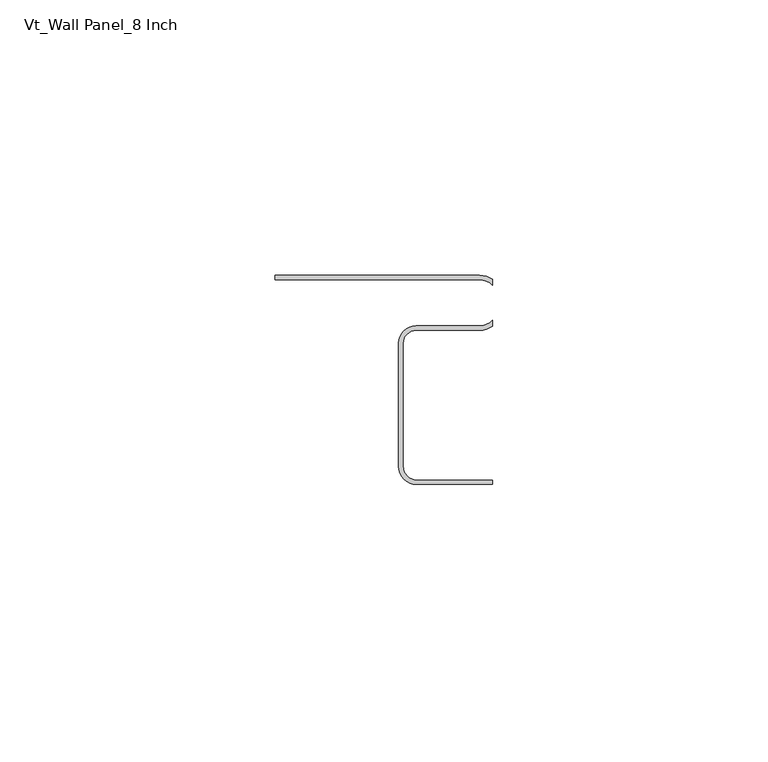
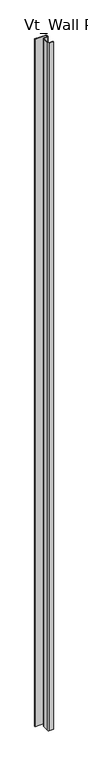
"""IFC4 building model written with IfcOpenShell, lengths in millimetres: plate geometry, Vt_Wall Panel_8 Inch."""

import ifcopenshell
import ifcopenshell.guid

model = None  # the IFC model being written
_history = None  # IfcOwnerHistory: only IFC2X3 demands one
_inside = {}  # id of a spatial element -> (the spatial element, [elements in it])
_under = {}  # id of a project, library or spatial element -> (it, [spatial elements below it])
_declared = {}  # id of a project -> (the project, [libraries it declares])
_typed = {}  # id of a type object -> (the type object, [elements of that type])
_made_of = {}  # id of a material, layer set ... -> (it, [elements and type objects made of it])


def new_model(schema):
    """Start an empty IFC model of exactly this schema.

    Asked for "IFC4X3", IfcOpenShell would pick the latest addendum, in which some entities
    have other attributes; the version numbers below select the first issue.
    IFC2X3 requires an IfcOwnerHistory on every rooted entity: one is made here for all.
    """
    global model, _history
    if schema == "IFC4X3":
        model = ifcopenshell.file(schema_version=(4, 3, 0, 0))
    else:
        model = ifcopenshell.file(schema=schema)
    _inside.clear()
    _under.clear()
    _declared.clear()
    _typed.clear()
    _made_of.clear()
    _history = None
    if model.schema == "IFC2X3":
        org = make("IfcOrganization", Name="unknown")
        user = make(
            "IfcPersonAndOrganization",
            ThePerson=make("IfcPerson", FamilyName="unknown"),
            TheOrganization=org,
        )
        app = make(
            "IfcApplication",
            ApplicationDeveloper=org,
            Version="unknown",
            ApplicationFullName="unknown",
            ApplicationIdentifier="unknown",
        )
        _history = make(
            "IfcOwnerHistory",
            OwningUser=user,
            OwningApplication=app,
            ChangeAction="ADDED",
            CreationDate=0,
        )
    return model


def make(cls, **values):
    """One entity of the class cls with the attributes given. An attribute that is None is left unset."""
    return model.create_entity(
        cls, **{name: value for name, value in values.items() if value is not None}
    )


def rooted(cls, **values):
    """An entity with a GlobalId (a new one), such as an element, a storey or a relation."""
    return make(cls, GlobalId=ifcopenshell.guid.new(), OwnerHistory=_history, **values)


def si_unit(unit_type, name, prefix=None):
    """IfcSIUnit, for example si_unit("LENGTHUNIT", "METRE", prefix="MILLI")."""
    return make("IfcSIUnit", UnitType=unit_type, Prefix=prefix, Name=name)


def assignment(units):
    """IfcUnitAssignment: the units of a project."""
    return None if units is None else make("IfcUnitAssignment", Units=units)


def point(xyz):
    """IfcCartesianPoint."""
    return None if xyz is None else make("IfcCartesianPoint", Coordinates=xyz)


def direction(xyz):
    """IfcDirection."""
    return None if xyz is None else make("IfcDirection", DirectionRatios=xyz)


def frame(location, z_axis=None, x_axis=None):
    """IfcAxis2Placement3D, a coordinate frame: its origin and axes. An axis left out is left unset."""
    return make(
        "IfcAxis2Placement3D",
        Location=point(location),
        Axis=direction(z_axis),
        RefDirection=direction(x_axis),
    )


def frame_2d(location, x_axis=None):
    """IfcAxis2Placement2D, a coordinate frame in the plane: its origin and x axis."""
    return make(
        "IfcAxis2Placement2D", Location=point(location), RefDirection=direction(x_axis)
    )


def origin():
    """The frame at (0, 0, 0) with its axes left unset."""
    return frame((0.0, 0.0, 0.0))


def origin_with_axes():
    """The frame at (0, 0, 0) with the z axis (0, 0, 1) and the x axis (1, 0, 0) written out."""
    return frame((0.0, 0.0, 0.0), z_axis=(0.0, 0.0, 1.0), x_axis=(1.0, 0.0, 0.0))


def place(relative_to, where):
    """IfcLocalPlacement: puts the frame where relative to a parent placement (None: the world)."""
    return make(
        "IfcLocalPlacement", PlacementRelTo=relative_to, RelativePlacement=where
    )


def context(
    kind, dimensions, precision=None, world=None, true_north=None, identifier=None
):
    """IfcGeometricRepresentationContext, for example the 3D "Model" context."""
    return make(
        "IfcGeometricRepresentationContext",
        ContextIdentifier=identifier,
        ContextType=kind,
        CoordinateSpaceDimension=dimensions,
        Precision=precision,
        WorldCoordinateSystem=world,
        TrueNorth=true_north,
    )


def project(units=None, contexts=None):
    """IfcProject with its units and contexts."""
    return rooted(
        "IfcProject",
        Name="project",
        RepresentationContexts=contexts,
        UnitsInContext=assignment(units),
    )


def spatial(cls, under=None, at=None, **own):
    """A site, building, storey or space (cls), placed at a placement, below another one or the project."""
    s = rooted(cls, ObjectPlacement=at, **own)
    if under is not None:
        _under.setdefault(under.id(), (under, []))[1].append(s)
    return s


def polyline(points):
    """IfcPolyline through the points."""
    return make("IfcPolyline", Points=[point(p) for p in points])


def circle_curve(where, radius):
    """IfcCircle in the frame where."""
    return make("IfcCircle", Position=where, Radius=radius)


def trimmed(basis, trim1, trim2, sense, master):
    """IfcTrimmedCurve: the piece of a basis curve between two trims."""
    return make(
        "IfcTrimmedCurve",
        BasisCurve=basis,
        Trim1=trim1,
        Trim2=trim2,
        SenseAgreement=sense,
        MasterRepresentation=master,
    )


def segment(curve, same_sense, transition):
    """IfcCompositeCurveSegment."""
    return make(
        "IfcCompositeCurveSegment",
        Transition=transition,
        SameSense=same_sense,
        ParentCurve=curve,
    )


def composite_curve(segments, self_intersect=None):
    """IfcCompositeCurve: segments joined end to end."""
    return make("IfcCompositeCurve", Segments=segments, SelfIntersect=self_intersect)


def outline(outer, holes=None, kind="AREA"):
    """IfcArbitraryClosedProfileDef: a profile drawn as a closed curve; with holes, ...WithVoids."""
    if holes is None:
        return make("IfcArbitraryClosedProfileDef", ProfileType=kind, OuterCurve=outer)
    return make(
        "IfcArbitraryProfileDefWithVoids",
        ProfileType=kind,
        OuterCurve=outer,
        InnerCurves=holes,
    )


def extrude(swept, where, along, depth):
    """IfcExtrudedAreaSolid: the profile swept, set in the frame where, extruded along a direction by depth."""
    return make(
        "IfcExtrudedAreaSolid",
        SweptArea=swept,
        Position=where,
        ExtrudedDirection=direction(along),
        Depth=depth,
    )


def shape(context_of_items, identifier, shape_type, items):
    """IfcShapeRepresentation: the items that make up one representation, for example the "Body"."""
    return make(
        "IfcShapeRepresentation",
        ContextOfItems=context_of_items,
        RepresentationIdentifier=identifier,
        RepresentationType=shape_type,
        Items=items,
    )


def source(mapping_origin, context_of_items, identifier, shape_type, items):
    """IfcRepresentationMap: a shape defined once, which mapped items show again and again."""
    return make(
        "IfcRepresentationMap",
        MappingOrigin=mapping_origin,
        MappedRepresentation=shape(context_of_items, identifier, shape_type, items),
    )


def transform(
    local_origin,
    x_axis=None,
    y_axis=None,
    z_axis=None,
    scale=None,
    scale2=None,
    scale3=None,
    uniform=True,
):
    """IfcCartesianTransformationOperator3D, or its non-uniform kind. x_axis, y_axis, z_axis: its Axis1, 2, 3."""
    if uniform:
        return make(
            "IfcCartesianTransformationOperator3D",
            Axis1=direction(x_axis),
            Axis2=direction(y_axis),
            LocalOrigin=point(local_origin),
            Scale=scale,
            Axis3=direction(z_axis),
        )
    return make(
        "IfcCartesianTransformationOperator3DnonUniform",
        Axis1=direction(x_axis),
        Axis2=direction(y_axis),
        LocalOrigin=point(local_origin),
        Scale=scale,
        Axis3=direction(z_axis),
        Scale2=scale2,
        Scale3=scale3,
    )


def mapped(mapping_source, mapping_target):
    """IfcMappedItem: shows the shape of a source again, moved by a transform."""
    return make(
        "IfcMappedItem", MappingSource=mapping_source, MappingTarget=mapping_target
    )


def made_of(thing, what):
    """Note that an element or type object is made of a material, layer set ...; save() writes the relation."""
    if what is not None:
        _made_of.setdefault(what.id(), (what, []))[1].append(thing)
    return thing


def element(
    cls,
    number,
    at=None,
    inside=None,
    cuts=None,
    type_object=None,
    material=None,
    context=None,
    identifier="Body",
    shape_type=None,
    held_by="IfcProductDefinitionShape",
    body=None,
    shapes=None,
    **own,
):
    """One element of the class cls, such as IfcWall. Its Tag is "e" and its number.

    at: its placement. inside: the storey or other place that contains it. cuts: it is an
    opening in that element (IfcRelVoidsElement). A single representation is given by context,
    identifier, shape_type and body (its items); several are given by shapes. held_by: the class
    of the entity that holds the representations. save() writes the other relations.
    """
    e = rooted(cls, Tag="e%d" % number, ObjectPlacement=at, **own)
    if body is not None:
        shapes = [shape(context, identifier, shape_type, body)]
    if shapes is not None:
        e.Representation = make(held_by, Representations=shapes)
    if inside is not None:
        _inside.setdefault(inside.id(), (inside, []))[1].append(e)
    if cuts is not None:
        rooted(
            "IfcRelVoidsElement", RelatingBuildingElement=cuts, RelatedOpeningElement=e
        )
    if type_object is not None:
        _typed.setdefault(type_object.id(), (type_object, []))[1].append(e)
    return made_of(e, material)


def aggregate(whole, parts):
    """IfcRelAggregates: a whole, such as a stair, and the parts it consists of."""
    return rooted("IfcRelAggregates", RelatingObject=whole, RelatedObjects=parts)


def save(model, path):
    """Write the relations noted so far, then the file.

    IfcRelAggregates (storeys below a building ...), IfcRelContainedInSpatialStructure (elements
    in a storey), IfcRelDefinesByType, IfcRelAssociatesMaterial and IfcRelDeclares: one each for
    every whole, place, type object, material and project.
    """
    for whole, parts in _under.values():
        aggregate(whole, parts)
    for where, things in _inside.values():
        rooted(
            "IfcRelContainedInSpatialStructure",
            RelatedElements=things,
            RelatingStructure=where,
        )
    for kind, things in _typed.values():
        rooted("IfcRelDefinesByType", RelatedObjects=things, RelatingType=kind)
    for what, things in _made_of.values():
        rooted("IfcRelAssociatesMaterial", RelatedObjects=things, RelatingMaterial=what)
    for by, libraries in _declared.values():
        rooted("IfcRelDeclares", RelatingContext=by, RelatedDefinitions=libraries)
    model.write(path)


def vt_wall_panel_8_inch_77db0358(model_context):
    return source(origin(), model_context, "Body", "SweptSolid", [
        extrude(outline(composite_curve([segment(polyline([(-8.5585407, -34.70689), (-8.5585407, -12.38547)]), True, "CONTINUOUS"), segment(trimmed(circle_curve(frame_2d((-5.3835407, -12.38547)), 3.175), [point((-8.5585407, -12.38547))], [point((-5.3835407, -9.21047))], False, "CARTESIAN"), True, "CONTINUOUS"), segment(polyline([(-5.3835407, -9.21047), (6.1486943, -9.21047)]), True, "CONTINUOUS"), segment(trimmed(circle_curve(frame_2d((6.1486943, -6.03547)), 3.175), [point((6.1486943, -9.21047))], [point((8.5042607, -8.1643035))], True, "CARTESIAN"), True, "CONTINUOUS"), segment(polyline([(8.5042607, -8.1643035), (8.5042607, -9.2373339)]), True, "CONTINUOUS"), segment(trimmed(circle_curve(frame_2d((6.1486943, -6.03547)), 3.975), [point((8.5042607, -9.2373339))], [point((6.1486943, -10.01047))], False, "CARTESIAN"), True, "CONTINUOUS"), segment(polyline([(6.1486943, -10.01047), (-5.3835407, -10.01047)]), True, "CONTINUOUS"), segment(trimmed(circle_curve(frame_2d((-5.3835407, -12.38547)), 2.375), [point((-5.3835407, -10.01047))], [point((-7.7585407, -12.38547))], True, "CARTESIAN"), True, "CONTINUOUS"), segment(polyline([(-7.7585407, -12.38547), (-7.7585407, -34.70689)]), True, "CONTINUOUS"), segment(trimmed(circle_curve(frame_2d((-5.2654307, -34.70689)), 2.49311), [point((-7.7585407, -34.70689))], [point((-5.2654307, -37.2))], True, "CARTESIAN"), True, "CONTINUOUS"), segment(polyline([(-5.2654307, -37.2), (8.5042607, -37.2), (8.5042607, -38.0), (-5.2654307, -38.0)]), True, "CONTINUOUS"), segment(trimmed(circle_curve(frame_2d((-5.2654307, -34.70689)), 3.29311), [point((-5.2654307, -38.0))], [point((-8.5585407, -34.70689))], False, "CARTESIAN"), True, "CONTINUOUS")], self_intersect=False)), origin_with_axes(), (0.0, 0.0, 1.0), 2400.0),
        extrude(outline(composite_curve([segment(trimmed(circle_curve(frame_2d((6.1486943, -3.975)), 3.975), [point((6.1486943, 0.0))], [point((8.5042607, -0.7731361))], False, "CARTESIAN"), True, "CONTINUOUS"), segment(polyline([(8.5042607, -0.7731361), (8.5042607, -1.8461665)]), True, "CONTINUOUS"), segment(trimmed(circle_curve(frame_2d((6.1486943, -3.975)), 3.175), [point((8.5042607, -1.8461665))], [point((6.1486943, -0.8))], True, "CARTESIAN"), True, "CONTINUOUS"), segment(polyline([(6.1486943, -0.8), (-31.0152849, -0.8), (-31.0152849, 0.0), (6.1486943, 0.0)]), True, "CONTINUOUS")], self_intersect=False)), origin_with_axes(), (0.0, 0.0, 1.0), 2400.0),
    ])


if __name__ == "__main__":
    model = new_model("IFC4")
    model_context = context("Model", 3, world=origin())
    ifc_project = project(units=[si_unit("LENGTHUNIT", "METRE", prefix="MILLI")], contexts=[model_context])
    site = spatial("IfcSite", under=ifc_project)
    building = spatial("IfcBuilding", under=site)
    placement = place(None, origin())
    vt_wall_panel_8_inch_shape = vt_wall_panel_8_inch_77db0358(model_context)
    element("IfcPlate", 1, ObjectType="Vt_Wall Panel_8 Inch", at=placement, inside=building, context=model_context, shape_type="MappedRepresentation", body=[
        mapped(vt_wall_panel_8_inch_shape, transform((0.0, 0.0, 0.0), x_axis=(1.0, 0.0, 0.0), y_axis=(0.0, 1.0, 0.0), z_axis=(0.0, 0.0, 1.0))),
    ])
    save(model, "model.ifc")
